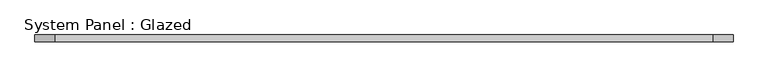
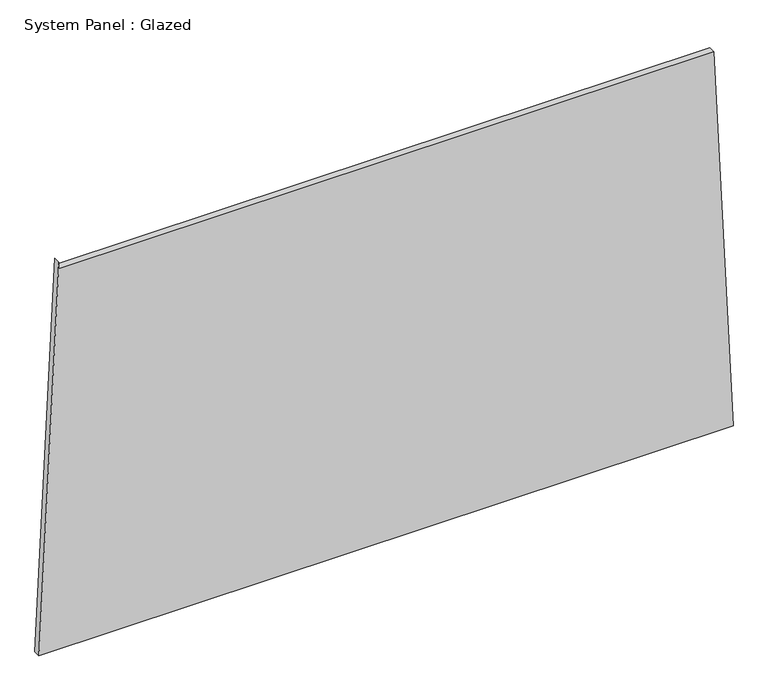
"""IFC4 building model written with IfcOpenShell, lengths in millimetres: plate geometry, System Panel : Glazed."""

from ifc_helpers import new_model, si_unit, frame, origin, place, context, project, spatial, polyline, outline, extrude, source, transform, mapped, element, save


def system_panel_glazed_01862eb2(model_context):
    return source(origin(), model_context, "Body", "SweptSolid", [
        extrude(outline(polyline([(0.0, -1250.281007), (0.0, 1250.281007), (1448.2263237, 1179.7921782), (1448.2259595, -1178.5721333), (1473.2259595, -1178.5721371), (0.0, -1250.281007)])), frame((0.0, -49.5, 0.0), z_axis=(0.0, 1.0, 0.0), x_axis=(0.0, 0.0, 1.0)), (0.0, 0.0, 1.0), 25.0),
    ])


if __name__ == "__main__":
    model = new_model("IFC4")
    model_context = context("Model", 3, world=origin())
    ifc_project = project(units=[si_unit("LENGTHUNIT", "METRE", prefix="MILLI")], contexts=[model_context])
    site = spatial("IfcSite", under=ifc_project)
    building = spatial("IfcBuilding", under=site)
    placement = place(None, origin())
    system_panel_glazed_shape = system_panel_glazed_01862eb2(model_context)
    element("IfcPlate", 1, ObjectType="System Panel : Glazed", at=placement, inside=building, context=model_context, shape_type="MappedRepresentation", body=[
        mapped(system_panel_glazed_shape, transform((0.0, 0.0, 0.0), x_axis=(1.0, 0.0, 0.0), y_axis=(0.0, 1.0, 0.0), z_axis=(0.0, 0.0, 1.0))),
    ])
    save(model, "model.ifc")
